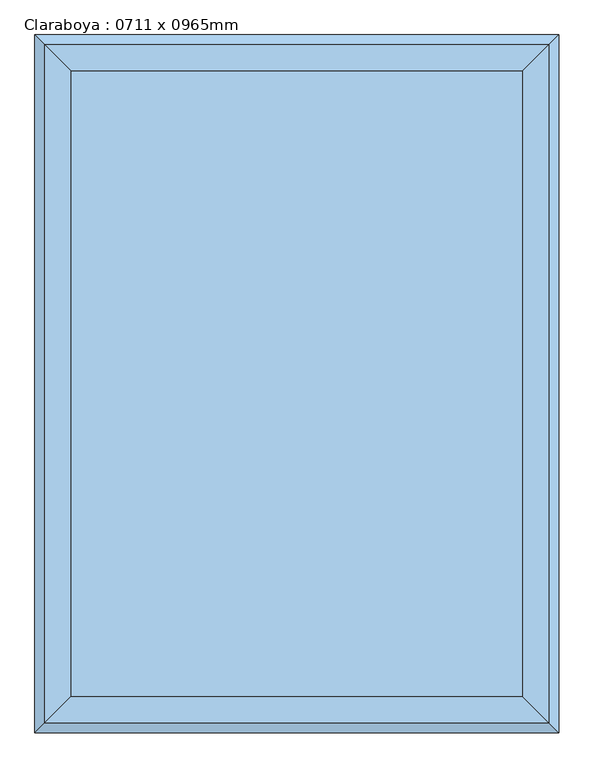
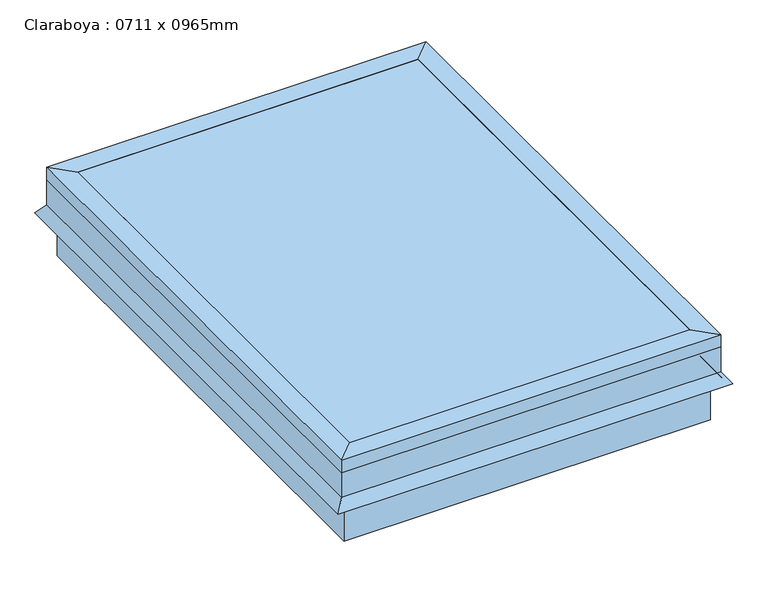
"""IFC4 building model written with IfcOpenShell, lengths in millimetres: window geometry, Claraboya : 0711 x 0965mm."""

from ifc_helpers import new_model, si_unit, frame, origin, place, context, project, spatial, polyline, outline, extrude, faceted_brep, source, transform, mapped, element, save


def claraboya_0711_x_0965mm_46183e54(model_context):
    return source(origin(), model_context, "Body", "SolidModel", [
        faceted_brep([(254.440073, 370.1040988, 4325.0), (279.840073, 395.5040988, 4325.0), (279.840073, -569.4959012, 4325.0), (254.440073, -544.0959012, 4325.0), (254.440073, 370.1040988, 4350.4), (254.440073, -544.0959012, 4350.4), (292.540073, 408.2040988, 4350.4), (292.540073, -582.1959012, 4350.4), (292.540073, 408.2040988, 4325.0), (292.540073, -582.1959012, 4325.0), (292.540073, 408.2040988, 4274.2), (292.540073, -582.1959012, 4274.2), (307.1089145, 422.7729403, 4253.3935381), (307.1089145, -596.7647427, 4253.3935381), (301.907299, 417.5713248, 4249.7513277), (301.907299, -591.5631272, 4249.7513277), (286.190073, 401.8540988, 4272.1978527), (286.190073, -575.8459012, 4272.1978527), (286.190073, 401.8540988, 4325.0), (286.190073, -575.8459012, 4325.0), (-431.159927, -569.4959012, 4325.0), (-405.759927, -544.0959012, 4325.0), (-405.759927, -544.0959012, 4350.4), (-443.859927, -582.1959012, 4350.4), (-443.859927, -582.1959012, 4325.0), (-443.859927, -582.1959012, 4274.2), (-458.4287685, -596.7647427, 4253.3935381), (-453.227153, -591.5631272, 4249.7513277), (-437.509927, -575.8459012, 4272.1978527), (-437.509927, -575.8459012, 4325.0), (-431.159927, 395.5040988, 4325.0), (-405.759927, 370.1040988, 4325.0), (-405.759927, 370.1040988, 4350.4), (-443.859927, 408.2040988, 4350.4), (-443.859927, 408.2040988, 4325.0), (-443.859927, 408.2040988, 4274.2), (-458.4287685, 422.7729403, 4253.3935381), (-453.227153, 417.5713248, 4249.7513277), (-437.509927, 401.8540988, 4272.1978527), (-437.509927, 401.8540988, 4325.0)], [[[0, 1, 2, 3]], [[4, 0, 3, 5]], [[6, 4, 5, 7]], [[8, 6, 7, 9]], [[10, 8, 9, 11]], [[12, 10, 11, 13]], [[14, 12, 13, 15]], [[16, 14, 15, 17]], [[18, 16, 17, 19]], [[1, 18, 19, 2]], [[3, 2, 20, 21]], [[5, 3, 21, 22]], [[7, 5, 22, 23]], [[9, 7, 23, 24]], [[11, 9, 24, 25]], [[13, 11, 25, 26]], [[15, 13, 26, 27]], [[17, 15, 27, 28]], [[19, 17, 28, 29]], [[2, 19, 29, 20]], [[21, 20, 30, 31]], [[22, 21, 31, 32]], [[23, 22, 32, 33]], [[24, 23, 33, 34]], [[25, 24, 34, 35]], [[26, 25, 35, 36]], [[27, 26, 36, 37]], [[28, 27, 37, 38]], [[29, 28, 38, 39]], [[20, 29, 39, 30]], [[31, 30, 1, 0]], [[32, 31, 0, 4]], [[33, 32, 4, 6]], [[34, 33, 6, 8]], [[35, 34, 8, 10]], [[36, 35, 10, 12]], [[37, 36, 12, 14]], [[38, 37, 14, 16]], [[39, 38, 16, 18]], [[30, 39, 18, 1]]]),
        faceted_brep([(279.840073, -569.4959012, 4325.0), (279.840073, -569.4959012, 4172.6), (279.840073, 395.5040988, 4172.6), (279.840073, 395.5040988, 4325.0), (254.440073, -544.0959012, 4325.0), (254.440073, 370.1040988, 4325.0), (254.440073, -544.0959012, 4299.6), (254.440073, 370.1040988, 4299.6), (235.390073, -525.0459012, 4299.6), (235.390073, 351.0540988, 4299.6), (235.390073, -525.0459012, 4172.6), (235.390073, 351.0540988, 4172.6), (-431.159927, 395.5040988, 4172.6), (-431.159927, 395.5040988, 4325.0), (-405.759927, 370.1040988, 4325.0), (-405.759927, 370.1040988, 4299.6), (-386.709927, 351.0540988, 4299.6), (-386.709927, 351.0540988, 4172.6), (-431.159927, -569.4959012, 4172.6), (-431.159927, -569.4959012, 4325.0), (-405.759927, -544.0959012, 4325.0), (-405.759927, -544.0959012, 4299.6), (-386.709927, -525.0459012, 4299.6), (-386.709927, -525.0459012, 4172.6)], [[[0, 1, 2, 3]], [[4, 0, 3, 5]], [[6, 4, 5, 7]], [[8, 6, 7, 9]], [[10, 8, 9, 11]], [[1, 10, 11, 2]], [[3, 2, 12, 13]], [[5, 3, 13, 14]], [[7, 5, 14, 15]], [[9, 7, 15, 16]], [[11, 9, 16, 17]], [[2, 11, 17, 12]], [[13, 12, 18, 19]], [[14, 13, 19, 20]], [[15, 14, 20, 21]], [[16, 15, 21, 22]], [[17, 16, 22, 23]], [[12, 17, 23, 18]], [[19, 18, 1, 0]], [[20, 19, 0, 4]], [[21, 20, 4, 6]], [[22, 21, 6, 8]], [[23, 22, 8, 10]], [[18, 23, 10, 1]]]),
        extrude(outline(polyline([(254.440073, -544.0959012), (-405.759927, -544.0959012), (-405.759927, 370.1040988), (254.440073, 370.1040988), (254.440073, -544.0959012)])), frame((0.0, 0.0, 4344.05), z_axis=(0.0, 0.0, 1.0), x_axis=(1.0, 0.0, 0.0)), (0.0, 0.0, 1.0), 6.35),
    ])


if __name__ == "__main__":
    model = new_model("IFC4")
    model_context = context("Model", 3, world=origin())
    ifc_project = project(units=[si_unit("LENGTHUNIT", "METRE", prefix="MILLI")], contexts=[model_context])
    site = spatial("IfcSite", under=ifc_project)
    building = spatial("IfcBuilding", under=site)
    placement = place(None, origin())
    claraboya_0711_x_0965mm_shape = claraboya_0711_x_0965mm_46183e54(model_context)
    element("IfcWindow", 1, ObjectType="Claraboya : 0711 x 0965mm", at=placement, inside=building, context=model_context, shape_type="MappedRepresentation", body=[
        mapped(claraboya_0711_x_0965mm_shape, transform((0.0, 0.0, 0.0), x_axis=(1.0, 0.0, 0.0), y_axis=(0.0, 1.0, 0.0), z_axis=(0.0, 0.0, 1.0))),
    ])
    save(model, "model.ifc")
